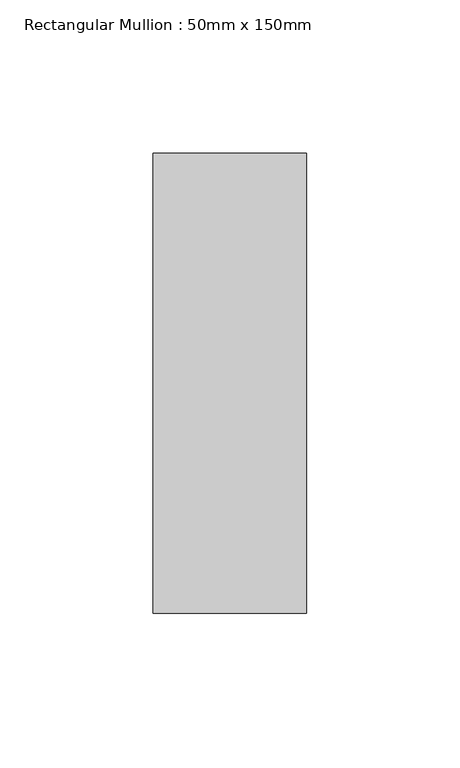
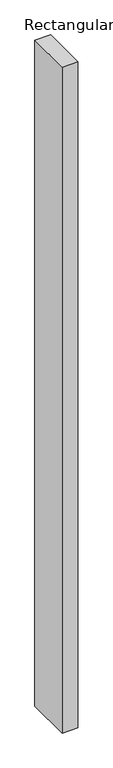
"""IFC4 building model written with IfcOpenShell, lengths in millimetres: member geometry, Rectangular Mullion : 50mm x 150mm."""

from ifc_helpers import new_model, si_unit, frame, origin, place, context, project, spatial, polyline, outline, extrude, source, transform, mapped, element, save


def rectangular_mullion_50mm_x_150mm_5c1bd7af(model_context):
    return source(origin(), model_context, "Body", "SweptSolid", [
        extrude(outline(polyline([(25.0, 75.0), (25.0, -75.0), (-25.0, -75.0), (-25.0, 75.0), (25.0, 75.0)])), frame((0.0, 0.0, -2249.9538982), z_axis=(0.0, 0.0, 1.0), x_axis=(1.0, 0.0, 0.0)), (0.0, 0.0, 1.0), 2249.9538982),
    ])


if __name__ == "__main__":
    model = new_model("IFC4")
    model_context = context("Model", 3, world=origin())
    ifc_project = project(units=[si_unit("LENGTHUNIT", "METRE", prefix="MILLI")], contexts=[model_context])
    site = spatial("IfcSite", under=ifc_project)
    building = spatial("IfcBuilding", under=site)
    placement = place(None, origin())
    rectangular_mullion_50mm_x_150mm_shape = rectangular_mullion_50mm_x_150mm_5c1bd7af(model_context)
    element("IfcMember", 1, ObjectType="Rectangular Mullion : 50mm x 150mm", at=placement, inside=building, context=model_context, shape_type="MappedRepresentation", body=[
        mapped(rectangular_mullion_50mm_x_150mm_shape, transform((0.0, 0.0, 0.0), x_axis=(1.0, 0.0, 0.0), y_axis=(0.0, 1.0, 0.0), z_axis=(0.0, 0.0, 1.0))),
    ])
    save(model, "model.ifc")
